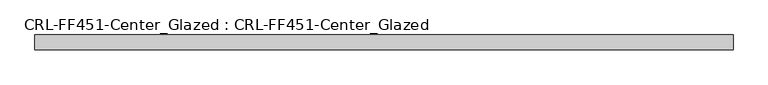
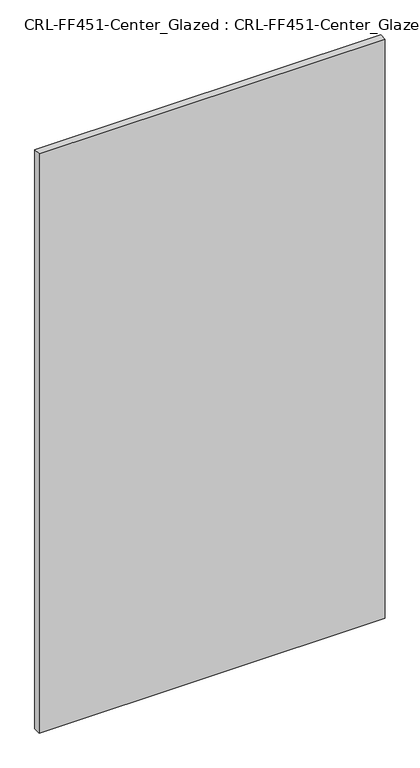
"""IFC4 building model written with IfcOpenShell, lengths in millimetres: plate geometry, CRL-FF451-Center_Glazed : CRL-FF451-Center_Glazed."""

import ifcopenshell
import ifcopenshell.guid

model = None  # the IFC model being written
_history = None  # IfcOwnerHistory: only IFC2X3 demands one
_inside = {}  # id of a spatial element -> (the spatial element, [elements in it])
_under = {}  # id of a project, library or spatial element -> (it, [spatial elements below it])
_declared = {}  # id of a project -> (the project, [libraries it declares])
_typed = {}  # id of a type object -> (the type object, [elements of that type])
_made_of = {}  # id of a material, layer set ... -> (it, [elements and type objects made of it])


def new_model(schema):
    """Start an empty IFC model of exactly this schema.

    Asked for "IFC4X3", IfcOpenShell would pick the latest addendum, in which some entities
    have other attributes; the version numbers below select the first issue.
    IFC2X3 requires an IfcOwnerHistory on every rooted entity: one is made here for all.
    """
    global model, _history
    if schema == "IFC4X3":
        model = ifcopenshell.file(schema_version=(4, 3, 0, 0))
    else:
        model = ifcopenshell.file(schema=schema)
    _inside.clear()
    _under.clear()
    _declared.clear()
    _typed.clear()
    _made_of.clear()
    _history = None
    if model.schema == "IFC2X3":
        org = make("IfcOrganization", Name="unknown")
        user = make(
            "IfcPersonAndOrganization",
            ThePerson=make("IfcPerson", FamilyName="unknown"),
            TheOrganization=org,
        )
        app = make(
            "IfcApplication",
            ApplicationDeveloper=org,
            Version="unknown",
            ApplicationFullName="unknown",
            ApplicationIdentifier="unknown",
        )
        _history = make(
            "IfcOwnerHistory",
            OwningUser=user,
            OwningApplication=app,
            ChangeAction="ADDED",
            CreationDate=0,
        )
    return model


def make(cls, **values):
    """One entity of the class cls with the attributes given. An attribute that is None is left unset."""
    return model.create_entity(
        cls, **{name: value for name, value in values.items() if value is not None}
    )


def rooted(cls, **values):
    """An entity with a GlobalId (a new one), such as an element, a storey or a relation."""
    return make(cls, GlobalId=ifcopenshell.guid.new(), OwnerHistory=_history, **values)


def si_unit(unit_type, name, prefix=None):
    """IfcSIUnit, for example si_unit("LENGTHUNIT", "METRE", prefix="MILLI")."""
    return make("IfcSIUnit", UnitType=unit_type, Prefix=prefix, Name=name)


def assignment(units):
    """IfcUnitAssignment: the units of a project."""
    return None if units is None else make("IfcUnitAssignment", Units=units)


def point(xyz):
    """IfcCartesianPoint."""
    return None if xyz is None else make("IfcCartesianPoint", Coordinates=xyz)


def direction(xyz):
    """IfcDirection."""
    return None if xyz is None else make("IfcDirection", DirectionRatios=xyz)


def frame(location, z_axis=None, x_axis=None):
    """IfcAxis2Placement3D, a coordinate frame: its origin and axes. An axis left out is left unset."""
    return make(
        "IfcAxis2Placement3D",
        Location=point(location),
        Axis=direction(z_axis),
        RefDirection=direction(x_axis),
    )


def origin():
    """The frame at (0, 0, 0) with its axes left unset."""
    return frame((0.0, 0.0, 0.0))


def origin_with_axes():
    """The frame at (0, 0, 0) with the z axis (0, 0, 1) and the x axis (1, 0, 0) written out."""
    return frame((0.0, 0.0, 0.0), z_axis=(0.0, 0.0, 1.0), x_axis=(1.0, 0.0, 0.0))


def place(relative_to, where):
    """IfcLocalPlacement: puts the frame where relative to a parent placement (None: the world)."""
    return make(
        "IfcLocalPlacement", PlacementRelTo=relative_to, RelativePlacement=where
    )


def context(
    kind, dimensions, precision=None, world=None, true_north=None, identifier=None
):
    """IfcGeometricRepresentationContext, for example the 3D "Model" context."""
    return make(
        "IfcGeometricRepresentationContext",
        ContextIdentifier=identifier,
        ContextType=kind,
        CoordinateSpaceDimension=dimensions,
        Precision=precision,
        WorldCoordinateSystem=world,
        TrueNorth=true_north,
    )


def project(units=None, contexts=None):
    """IfcProject with its units and contexts."""
    return rooted(
        "IfcProject",
        Name="project",
        RepresentationContexts=contexts,
        UnitsInContext=assignment(units),
    )


def spatial(cls, under=None, at=None, **own):
    """A site, building, storey or space (cls), placed at a placement, below another one or the project."""
    s = rooted(cls, ObjectPlacement=at, **own)
    if under is not None:
        _under.setdefault(under.id(), (under, []))[1].append(s)
    return s


def polyline(points):
    """IfcPolyline through the points."""
    return make("IfcPolyline", Points=[point(p) for p in points])


def outline(outer, holes=None, kind="AREA"):
    """IfcArbitraryClosedProfileDef: a profile drawn as a closed curve; with holes, ...WithVoids."""
    if holes is None:
        return make("IfcArbitraryClosedProfileDef", ProfileType=kind, OuterCurve=outer)
    return make(
        "IfcArbitraryProfileDefWithVoids",
        ProfileType=kind,
        OuterCurve=outer,
        InnerCurves=holes,
    )


def extrude(swept, where, along, depth):
    """IfcExtrudedAreaSolid: the profile swept, set in the frame where, extruded along a direction by depth."""
    return make(
        "IfcExtrudedAreaSolid",
        SweptArea=swept,
        Position=where,
        ExtrudedDirection=direction(along),
        Depth=depth,
    )


def shape(context_of_items, identifier, shape_type, items):
    """IfcShapeRepresentation: the items that make up one representation, for example the "Body"."""
    return make(
        "IfcShapeRepresentation",
        ContextOfItems=context_of_items,
        RepresentationIdentifier=identifier,
        RepresentationType=shape_type,
        Items=items,
    )


def source(mapping_origin, context_of_items, identifier, shape_type, items):
    """IfcRepresentationMap: a shape defined once, which mapped items show again and again."""
    return make(
        "IfcRepresentationMap",
        MappingOrigin=mapping_origin,
        MappedRepresentation=shape(context_of_items, identifier, shape_type, items),
    )


def transform(
    local_origin,
    x_axis=None,
    y_axis=None,
    z_axis=None,
    scale=None,
    scale2=None,
    scale3=None,
    uniform=True,
):
    """IfcCartesianTransformationOperator3D, or its non-uniform kind. x_axis, y_axis, z_axis: its Axis1, 2, 3."""
    if uniform:
        return make(
            "IfcCartesianTransformationOperator3D",
            Axis1=direction(x_axis),
            Axis2=direction(y_axis),
            LocalOrigin=point(local_origin),
            Scale=scale,
            Axis3=direction(z_axis),
        )
    return make(
        "IfcCartesianTransformationOperator3DnonUniform",
        Axis1=direction(x_axis),
        Axis2=direction(y_axis),
        LocalOrigin=point(local_origin),
        Scale=scale,
        Axis3=direction(z_axis),
        Scale2=scale2,
        Scale3=scale3,
    )


def mapped(mapping_source, mapping_target):
    """IfcMappedItem: shows the shape of a source again, moved by a transform."""
    return make(
        "IfcMappedItem", MappingSource=mapping_source, MappingTarget=mapping_target
    )


def made_of(thing, what):
    """Note that an element or type object is made of a material, layer set ...; save() writes the relation."""
    if what is not None:
        _made_of.setdefault(what.id(), (what, []))[1].append(thing)
    return thing


def element(
    cls,
    number,
    at=None,
    inside=None,
    cuts=None,
    type_object=None,
    material=None,
    context=None,
    identifier="Body",
    shape_type=None,
    held_by="IfcProductDefinitionShape",
    body=None,
    shapes=None,
    **own,
):
    """One element of the class cls, such as IfcWall. Its Tag is "e" and its number.

    at: its placement. inside: the storey or other place that contains it. cuts: it is an
    opening in that element (IfcRelVoidsElement). A single representation is given by context,
    identifier, shape_type and body (its items); several are given by shapes. held_by: the class
    of the entity that holds the representations. save() writes the other relations.
    """
    e = rooted(cls, Tag="e%d" % number, ObjectPlacement=at, **own)
    if body is not None:
        shapes = [shape(context, identifier, shape_type, body)]
    if shapes is not None:
        e.Representation = make(held_by, Representations=shapes)
    if inside is not None:
        _inside.setdefault(inside.id(), (inside, []))[1].append(e)
    if cuts is not None:
        rooted(
            "IfcRelVoidsElement", RelatingBuildingElement=cuts, RelatedOpeningElement=e
        )
    if type_object is not None:
        _typed.setdefault(type_object.id(), (type_object, []))[1].append(e)
    return made_of(e, material)


def aggregate(whole, parts):
    """IfcRelAggregates: a whole, such as a stair, and the parts it consists of."""
    return rooted("IfcRelAggregates", RelatingObject=whole, RelatedObjects=parts)


def save(model, path):
    """Write the relations noted so far, then the file.

    IfcRelAggregates (storeys below a building ...), IfcRelContainedInSpatialStructure (elements
    in a storey), IfcRelDefinesByType, IfcRelAssociatesMaterial and IfcRelDeclares: one each for
    every whole, place, type object, material and project.
    """
    for whole, parts in _under.values():
        aggregate(whole, parts)
    for where, things in _inside.values():
        rooted(
            "IfcRelContainedInSpatialStructure",
            RelatedElements=things,
            RelatingStructure=where,
        )
    for kind, things in _typed.values():
        rooted("IfcRelDefinesByType", RelatedObjects=things, RelatingType=kind)
    for what, things in _made_of.values():
        rooted("IfcRelAssociatesMaterial", RelatedObjects=things, RelatingMaterial=what)
    for by, libraries in _declared.values():
        rooted("IfcRelDeclares", RelatingContext=by, RelatedDefinitions=libraries)
    model.write(path)


def crl_ff451_center_glazed_crl_ff451_center_glazed_5c439639(model_context):
    return source(origin(), model_context, "Body", "SweptSolid", [
        extrude(outline(polyline([(-597.9356493, -12.709956), (-597.9356493, 12.709956), (597.9356493, 12.709956), (597.9356493, -12.709956), (-597.9356493, -12.709956)])), origin_with_axes(), (0.0, 0.0, 1.0), 2115.3459841),
    ])


if __name__ == "__main__":
    model = new_model("IFC4")
    model_context = context("Model", 3, world=origin())
    ifc_project = project(units=[si_unit("LENGTHUNIT", "METRE", prefix="MILLI")], contexts=[model_context])
    site = spatial("IfcSite", under=ifc_project)
    building = spatial("IfcBuilding", under=site)
    placement = place(None, origin())
    crl_ff451_center_glazed_crl_ff451_center_glazed_shape = crl_ff451_center_glazed_crl_ff451_center_glazed_5c439639(model_context)
    element("IfcPlate", 1, ObjectType="CRL-FF451-Center_Glazed : CRL-FF451-Center_Glazed", at=placement, inside=building, context=model_context, shape_type="MappedRepresentation", body=[
        mapped(crl_ff451_center_glazed_crl_ff451_center_glazed_shape, transform((0.0, 0.0, 0.0), x_axis=(1.0, 0.0, 0.0), y_axis=(0.0, 1.0, 0.0), z_axis=(0.0, 0.0, 1.0))),
    ])
    save(model, "model.ifc")
